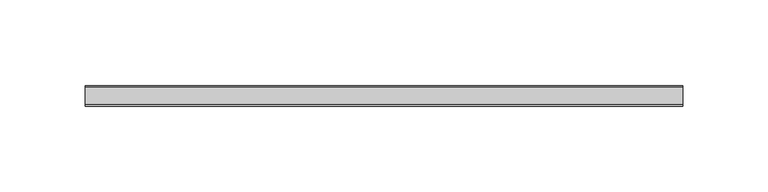
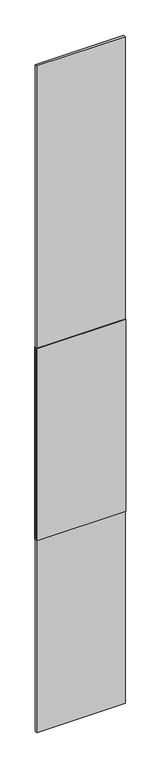
"""IFC4 building model written with IfcOpenShell, lengths in millimetres: plate geometry."""

import ifcopenshell
import ifcopenshell.guid

model = None  # the IFC model being written
_history = None  # IfcOwnerHistory: only IFC2X3 demands one
_inside = {}  # id of a spatial element -> (the spatial element, [elements in it])
_under = {}  # id of a project, library or spatial element -> (it, [spatial elements below it])
_declared = {}  # id of a project -> (the project, [libraries it declares])
_typed = {}  # id of a type object -> (the type object, [elements of that type])
_made_of = {}  # id of a material, layer set ... -> (it, [elements and type objects made of it])


def new_model(schema):
    """Start an empty IFC model of exactly this schema.

    Asked for "IFC4X3", IfcOpenShell would pick the latest addendum, in which some entities
    have other attributes; the version numbers below select the first issue.
    IFC2X3 requires an IfcOwnerHistory on every rooted entity: one is made here for all.
    """
    global model, _history
    if schema == "IFC4X3":
        model = ifcopenshell.file(schema_version=(4, 3, 0, 0))
    else:
        model = ifcopenshell.file(schema=schema)
    _inside.clear()
    _under.clear()
    _declared.clear()
    _typed.clear()
    _made_of.clear()
    _history = None
    if model.schema == "IFC2X3":
        org = make("IfcOrganization", Name="unknown")
        user = make(
            "IfcPersonAndOrganization",
            ThePerson=make("IfcPerson", FamilyName="unknown"),
            TheOrganization=org,
        )
        app = make(
            "IfcApplication",
            ApplicationDeveloper=org,
            Version="unknown",
            ApplicationFullName="unknown",
            ApplicationIdentifier="unknown",
        )
        _history = make(
            "IfcOwnerHistory",
            OwningUser=user,
            OwningApplication=app,
            ChangeAction="ADDED",
            CreationDate=0,
        )
    return model


def make(cls, **values):
    """One entity of the class cls with the attributes given. An attribute that is None is left unset."""
    return model.create_entity(
        cls, **{name: value for name, value in values.items() if value is not None}
    )


def rooted(cls, **values):
    """An entity with a GlobalId (a new one), such as an element, a storey or a relation."""
    return make(cls, GlobalId=ifcopenshell.guid.new(), OwnerHistory=_history, **values)


def si_unit(unit_type, name, prefix=None):
    """IfcSIUnit, for example si_unit("LENGTHUNIT", "METRE", prefix="MILLI")."""
    return make("IfcSIUnit", UnitType=unit_type, Prefix=prefix, Name=name)


def assignment(units):
    """IfcUnitAssignment: the units of a project."""
    return None if units is None else make("IfcUnitAssignment", Units=units)


def point(xyz):
    """IfcCartesianPoint."""
    return None if xyz is None else make("IfcCartesianPoint", Coordinates=xyz)


def direction(xyz):
    """IfcDirection."""
    return None if xyz is None else make("IfcDirection", DirectionRatios=xyz)


def frame(location, z_axis=None, x_axis=None):
    """IfcAxis2Placement3D, a coordinate frame: its origin and axes. An axis left out is left unset."""
    return make(
        "IfcAxis2Placement3D",
        Location=point(location),
        Axis=direction(z_axis),
        RefDirection=direction(x_axis),
    )


def origin():
    """The frame at (0, 0, 0) with its axes left unset."""
    return frame((0.0, 0.0, 0.0))


def origin_with_axes():
    """The frame at (0, 0, 0) with the z axis (0, 0, 1) and the x axis (1, 0, 0) written out."""
    return frame((0.0, 0.0, 0.0), z_axis=(0.0, 0.0, 1.0), x_axis=(1.0, 0.0, 0.0))


def place(relative_to, where):
    """IfcLocalPlacement: puts the frame where relative to a parent placement (None: the world)."""
    return make(
        "IfcLocalPlacement", PlacementRelTo=relative_to, RelativePlacement=where
    )


def context(
    kind, dimensions, precision=None, world=None, true_north=None, identifier=None
):
    """IfcGeometricRepresentationContext, for example the 3D "Model" context."""
    return make(
        "IfcGeometricRepresentationContext",
        ContextIdentifier=identifier,
        ContextType=kind,
        CoordinateSpaceDimension=dimensions,
        Precision=precision,
        WorldCoordinateSystem=world,
        TrueNorth=true_north,
    )


def project(units=None, contexts=None):
    """IfcProject with its units and contexts."""
    return rooted(
        "IfcProject",
        Name="project",
        RepresentationContexts=contexts,
        UnitsInContext=assignment(units),
    )


def spatial(cls, under=None, at=None, **own):
    """A site, building, storey or space (cls), placed at a placement, below another one or the project."""
    s = rooted(cls, ObjectPlacement=at, **own)
    if under is not None:
        _under.setdefault(under.id(), (under, []))[1].append(s)
    return s


def polyline(points):
    """IfcPolyline through the points."""
    return make("IfcPolyline", Points=[point(p) for p in points])


def outline(outer, holes=None, kind="AREA"):
    """IfcArbitraryClosedProfileDef: a profile drawn as a closed curve; with holes, ...WithVoids."""
    if holes is None:
        return make("IfcArbitraryClosedProfileDef", ProfileType=kind, OuterCurve=outer)
    return make(
        "IfcArbitraryProfileDefWithVoids",
        ProfileType=kind,
        OuterCurve=outer,
        InnerCurves=holes,
    )


def extrude(swept, where, along, depth):
    """IfcExtrudedAreaSolid: the profile swept, set in the frame where, extruded along a direction by depth."""
    return make(
        "IfcExtrudedAreaSolid",
        SweptArea=swept,
        Position=where,
        ExtrudedDirection=direction(along),
        Depth=depth,
    )


def shape(context_of_items, identifier, shape_type, items):
    """IfcShapeRepresentation: the items that make up one representation, for example the "Body"."""
    return make(
        "IfcShapeRepresentation",
        ContextOfItems=context_of_items,
        RepresentationIdentifier=identifier,
        RepresentationType=shape_type,
        Items=items,
    )


def source(mapping_origin, context_of_items, identifier, shape_type, items):
    """IfcRepresentationMap: a shape defined once, which mapped items show again and again."""
    return make(
        "IfcRepresentationMap",
        MappingOrigin=mapping_origin,
        MappedRepresentation=shape(context_of_items, identifier, shape_type, items),
    )


def transform(
    local_origin,
    x_axis=None,
    y_axis=None,
    z_axis=None,
    scale=None,
    scale2=None,
    scale3=None,
    uniform=True,
):
    """IfcCartesianTransformationOperator3D, or its non-uniform kind. x_axis, y_axis, z_axis: its Axis1, 2, 3."""
    if uniform:
        return make(
            "IfcCartesianTransformationOperator3D",
            Axis1=direction(x_axis),
            Axis2=direction(y_axis),
            LocalOrigin=point(local_origin),
            Scale=scale,
            Axis3=direction(z_axis),
        )
    return make(
        "IfcCartesianTransformationOperator3DnonUniform",
        Axis1=direction(x_axis),
        Axis2=direction(y_axis),
        LocalOrigin=point(local_origin),
        Scale=scale,
        Axis3=direction(z_axis),
        Scale2=scale2,
        Scale3=scale3,
    )


def mapped(mapping_source, mapping_target):
    """IfcMappedItem: shows the shape of a source again, moved by a transform."""
    return make(
        "IfcMappedItem", MappingSource=mapping_source, MappingTarget=mapping_target
    )


def made_of(thing, what):
    """Note that an element or type object is made of a material, layer set ...; save() writes the relation."""
    if what is not None:
        _made_of.setdefault(what.id(), (what, []))[1].append(thing)
    return thing


def element(
    cls,
    number,
    at=None,
    inside=None,
    cuts=None,
    type_object=None,
    material=None,
    context=None,
    identifier="Body",
    shape_type=None,
    held_by="IfcProductDefinitionShape",
    body=None,
    shapes=None,
    **own,
):
    """One element of the class cls, such as IfcWall. Its Tag is "e" and its number.

    at: its placement. inside: the storey or other place that contains it. cuts: it is an
    opening in that element (IfcRelVoidsElement). A single representation is given by context,
    identifier, shape_type and body (its items); several are given by shapes. held_by: the class
    of the entity that holds the representations. save() writes the other relations.
    """
    e = rooted(cls, Tag="e%d" % number, ObjectPlacement=at, **own)
    if body is not None:
        shapes = [shape(context, identifier, shape_type, body)]
    if shapes is not None:
        e.Representation = make(held_by, Representations=shapes)
    if inside is not None:
        _inside.setdefault(inside.id(), (inside, []))[1].append(e)
    if cuts is not None:
        rooted(
            "IfcRelVoidsElement", RelatingBuildingElement=cuts, RelatedOpeningElement=e
        )
    if type_object is not None:
        _typed.setdefault(type_object.id(), (type_object, []))[1].append(e)
    return made_of(e, material)


def aggregate(whole, parts):
    """IfcRelAggregates: a whole, such as a stair, and the parts it consists of."""
    return rooted("IfcRelAggregates", RelatingObject=whole, RelatedObjects=parts)


def save(model, path):
    """Write the relations noted so far, then the file.

    IfcRelAggregates (storeys below a building ...), IfcRelContainedInSpatialStructure (elements
    in a storey), IfcRelDefinesByType, IfcRelAssociatesMaterial and IfcRelDeclares: one each for
    every whole, place, type object, material and project.
    """
    for whole, parts in _under.values():
        aggregate(whole, parts)
    for where, things in _inside.values():
        rooted(
            "IfcRelContainedInSpatialStructure",
            RelatedElements=things,
            RelatingStructure=where,
        )
    for kind, things in _typed.values():
        rooted("IfcRelDefinesByType", RelatedObjects=things, RelatingType=kind)
    for what, things in _made_of.values():
        rooted("IfcRelAssociatesMaterial", RelatedObjects=things, RelatingMaterial=what)
    for by, libraries in _declared.values():
        rooted("IfcRelDeclares", RelatingContext=by, RelatedDefinitions=libraries)
    model.write(path)


def plate_09368eb3(model_context):
    return source(origin(), model_context, "Body", "SweptSolid", [
        extrude(outline(polyline([(175.0, 11.0), (175.0, 10.0), (-175.0, 10.0), (-175.0, 11.0), (175.0, 11.0)])), frame((0.0, 0.0, 800.0), z_axis=(0.0, 0.0, 1.0), x_axis=(1.0, 0.0, 0.0)), (0.0, 0.0, 1.0), 800.0),
        extrude(outline(polyline([(175.0, 0.0), (175.0, -1.0), (-175.0, -1.0), (-175.0, 0.0), (175.0, 0.0)])), frame((0.0, 0.0, 800.0), z_axis=(0.0, 0.0, 1.0), x_axis=(1.0, 0.0, 0.0)), (0.0, 0.0, 1.0), 800.0),
        extrude(outline(polyline([(175.0, 0.0), (-175.0, 0.0), (-175.0, 10.0), (175.0, 10.0), (175.0, 0.0)])), origin_with_axes(), (0.0, 0.0, 1.0), 2775.0),
    ])


if __name__ == "__main__":
    model = new_model("IFC4")
    model_context = context("Model", 3, world=origin())
    ifc_project = project(units=[si_unit("LENGTHUNIT", "METRE", prefix="MILLI")], contexts=[model_context])
    site = spatial("IfcSite", under=ifc_project)
    building = spatial("IfcBuilding", under=site)
    placement = place(None, origin())
    plate_shape = plate_09368eb3(model_context)
    element("IfcPlate", 1, at=placement, inside=building, context=model_context, shape_type="MappedRepresentation", body=[
        mapped(plate_shape, transform((0.0, 0.0, 0.0), x_axis=(1.0, 0.0, 0.0), y_axis=(0.0, 1.0, 0.0), z_axis=(0.0, 0.0, 1.0))),
    ])
    save(model, "model.ifc")
